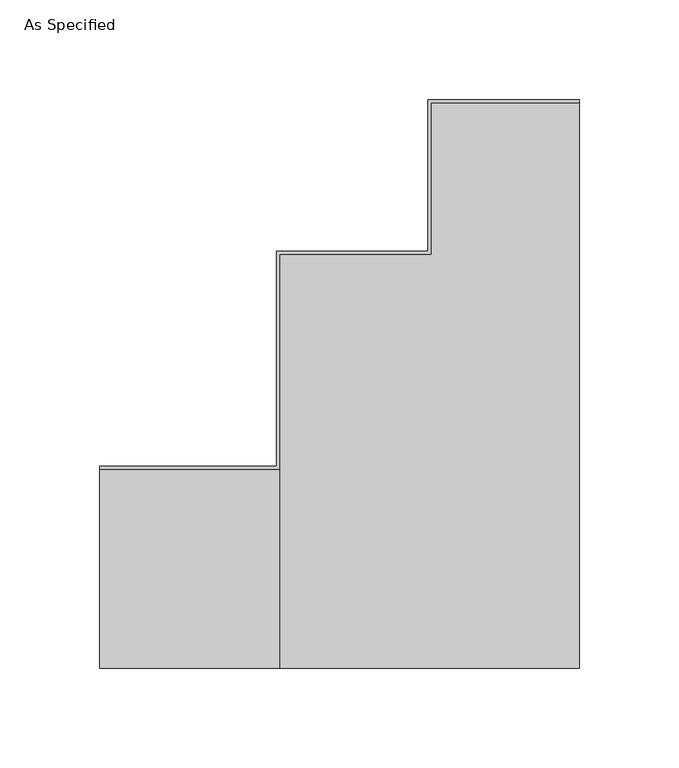
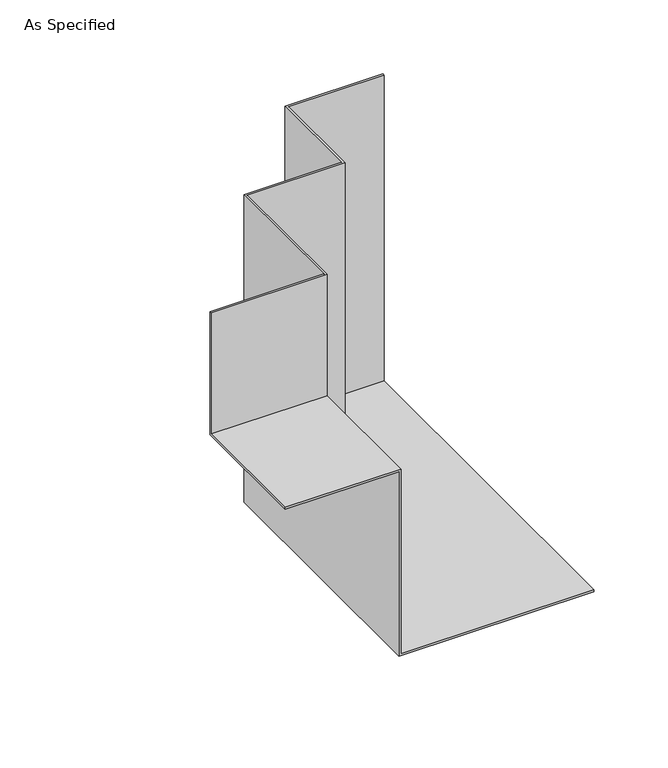
"""IFC4 building model written with IfcOpenShell, lengths in millimetres: proxy geometry, As Specified."""

from ifc_helpers import new_model, si_unit, origin, place, context, project, spatial, faceted_brep, source, transform, mapped, element, save


def as_specified_39eb57b4(model_context):
    return source(origin(), model_context, "Body", "Brep", [
        faceted_brep([(76.2, 184.15, 0.0), (152.4, 184.15, 0.0), (152.4, -101.6, 0.0), (0.0, -101.6, 0.0), (0.0, 107.95, 0.0), (76.2, 107.95, 0.0), (76.2, 107.95, 1.5875), (76.2, 107.95, 254.0), (76.2, 184.15, 254.0), (76.2, 184.15, 1.5875), (0.0, 107.95, 1.5875), (0.0, 107.95, 254.0), (0.0, -101.6, 152.4), (0.0, 0.0, 152.4), (0.0, 0.0, 153.9875), (0.0, 0.0, 254.0), (152.4, -101.6, 1.5875), (1.5875, -101.6, 1.5875), (1.5875, -101.6, 153.9875), (-88.9, -101.6, 153.9875), (-88.9, -101.6, 152.4), (1.5875, 106.3625, 254.0), (1.5875, -1.5875, 254.0), (1.5875, -1.5875, 153.9875), (1.5875, 106.3625, 1.5875), (77.7875, 106.3625, 254.0), (77.7875, 106.3625, 1.5875), (77.7875, 182.5625, 254.0), (77.7875, 182.5625, 1.5875), (152.4, 182.5625, 254.0), (152.4, 182.5625, 1.5875), (152.4, 184.15, 254.0), (-88.9, 0.0, 254.0), (-88.9, -1.5875, 254.0), (-88.9, 0.0, 152.4), (-88.9, -1.5875, 153.9875)], [[[0, 1, 2, 3, 4, 5]], [[0, 5, 6, 7, 8, 9]], [[5, 4, 10, 11, 7, 6]], [[4, 3, 12, 13, 14, 15, 11, 10]], [[3, 2, 16, 17, 18, 19, 20, 12]], [[21, 22, 23, 18, 17, 24]], [[25, 21, 24, 26]], [[27, 25, 26, 28]], [[29, 27, 28, 30]], [[2, 1, 31, 29, 30, 16]], [[31, 1, 0, 9, 8]], [[8, 7, 11, 15, 32, 33, 22, 21, 25, 27, 29, 31]], [[34, 13, 12, 20]], [[32, 15, 14, 13, 34]], [[33, 32, 34, 20, 19, 35]], [[22, 33, 35, 23]], [[19, 18, 23, 35]], [[17, 16, 30, 28, 26, 24]]]),
    ])


if __name__ == "__main__":
    model = new_model("IFC4")
    model_context = context("Model", 3, world=origin())
    ifc_project = project(units=[si_unit("LENGTHUNIT", "METRE", prefix="MILLI")], contexts=[model_context])
    site = spatial("IfcSite", under=ifc_project)
    building = spatial("IfcBuilding", under=site)
    placement = place(None, origin())
    as_specified_shape = as_specified_39eb57b4(model_context)
    element("IfcBuildingElementProxy", 1, Name="As Specified", ObjectType="As Specified", at=placement, inside=building, context=model_context, shape_type="MappedRepresentation", body=[
        mapped(as_specified_shape, transform((0.0, 0.0, 0.0), x_axis=(1.0, 0.0, 0.0), y_axis=(0.0, 1.0, 0.0), z_axis=(0.0, 0.0, 1.0))),
    ])
    save(model, "model.ifc")
